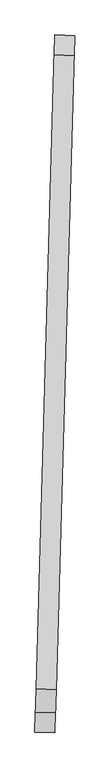
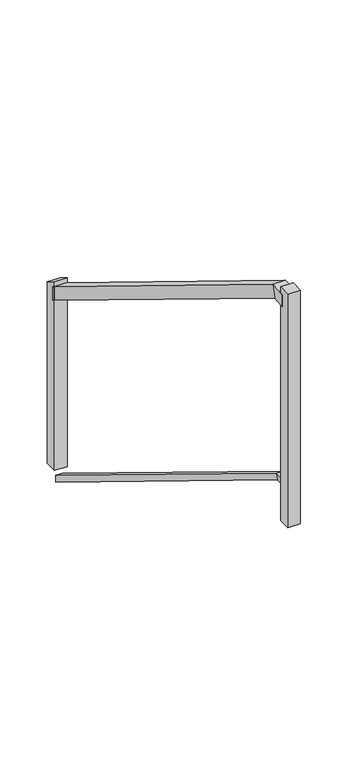
"""IFC4 building model written with IfcOpenShell, lengths in millimetres: railing geometry."""

from ifc_helpers import new_model, si_unit, frame, origin, place, context, project, spatial, polyline, outline, extrude, faceted_brep, source, transform, mapped, element, save


def railing_6d6732e4(model_context):
    return source(origin(), model_context, "Body", "SolidModel", [
        faceted_brep([(-21113.6197561, 121185.0840476, 10302.6387915), (-21062.8405271, 121183.6314955, 10302.6387915), (-21062.8405271, 121183.6314955, 10242.8120652), (-21113.6197561, 121185.0840476, 10242.8120652), (-21160.0769635, 119561.0038963, 11313.3254283), (-21109.2977346, 119559.5513441, 11313.3254283), (-21109.7126569, 119545.046228, 11262.5254283), (-21160.4918859, 119546.4987802, 11262.5254283), (-21162.1430934, 119488.774834, 11313.3254283), (-21162.1430934, 119488.774834, 11262.5254283), (-21111.3638644, 119487.3222818, 11262.5254283), (-21111.3638644, 119487.3222818, 11313.3254283)], [[[0, 1, 2, 3]], [[1, 0, 4, 5]], [[2, 1, 5, 6]], [[3, 2, 6, 7]], [[0, 3, 7, 4]], [[8, 9, 10, 11]], [[5, 4, 8, 11]], [[6, 5, 11, 10]], [[7, 6, 10, 9]], [[4, 7, 9, 8]]]),
        faceted_brep([(-21100.9249488, 121184.7209096, 9490.0821099), (-21075.5353343, 121183.9946335, 9490.0821099), (-21075.5353343, 121183.9946335, 9460.1687468), (-21100.9249488, 121184.7209096, 9460.1687468), (-21147.4858869, 119557.0144792, 10503.0254283), (-21122.0962724, 119556.2882031, 10503.0254283), (-21122.3037336, 119549.0356451, 10477.6254283), (-21147.693348, 119549.7619212, 10477.6254283), (-21149.4482861, 119488.411696, 10503.0254283), (-21149.4482861, 119488.411696, 10477.6254283), (-21124.0586717, 119487.6854199, 10477.6254283), (-21124.0586717, 119487.6854199, 10503.0254283)], [[[0, 1, 2, 3]], [[1, 0, 4, 5]], [[2, 1, 5, 6]], [[3, 2, 6, 7]], [[0, 3, 7, 4]], [[8, 9, 10, 11]], [[5, 4, 8, 11]], [[6, 5, 11, 10]], [[7, 6, 10, 9]], [[4, 7, 9, 8]]]),
        extrude(outline(polyline([(-21111.0007264, 119500.0170891), (-21112.4532786, 119449.2378601), (-21163.2325075, 119450.6904123), (-21161.7799553, 119501.4696412), (-21111.0007264, 119500.0170891)])), frame((0.0, 0.0, 10337.9254283), z_axis=(0.0, 0.0, 1.0), x_axis=(1.0, 0.0, 0.0)), (0.0, 0.0, 1.0), 1000.9),
        extrude(outline(polyline([(-59.8267263, 1e-07), (0.0, 0.0), (-427.2097439, -686.7674371), (-470.3449807, -659.9347824), (-59.8267263, 1e-07)])), frame((-21063.2036652, 121170.9366882, 10331.5255754), z_axis=(-0.9995911209452317, 0.02859354695478183, 0.0), x_axis=(-0.024279319222974705, -0.848771646143107, 0.5282018623230984)), (0.0, 0.0, 1.0), 50.8),
    ])


if __name__ == "__main__":
    model = new_model("IFC4")
    model_context = context("Model", 3, world=origin())
    ifc_project = project(units=[si_unit("LENGTHUNIT", "METRE", prefix="MILLI")], contexts=[model_context])
    site = spatial("IfcSite", under=ifc_project)
    building = spatial("IfcBuilding", under=site)
    placement = place(None, origin())
    railing_shape = railing_6d6732e4(model_context)
    element("IfcRailing", 1, at=placement, inside=building, context=model_context, shape_type="MappedRepresentation", body=[
        mapped(railing_shape, transform((0.0, 0.0, 0.0), x_axis=(1.0, 0.0, 0.0), y_axis=(0.0, 1.0, 0.0), z_axis=(0.0, 0.0, 1.0))),
    ])
    save(model, "model.ifc")
